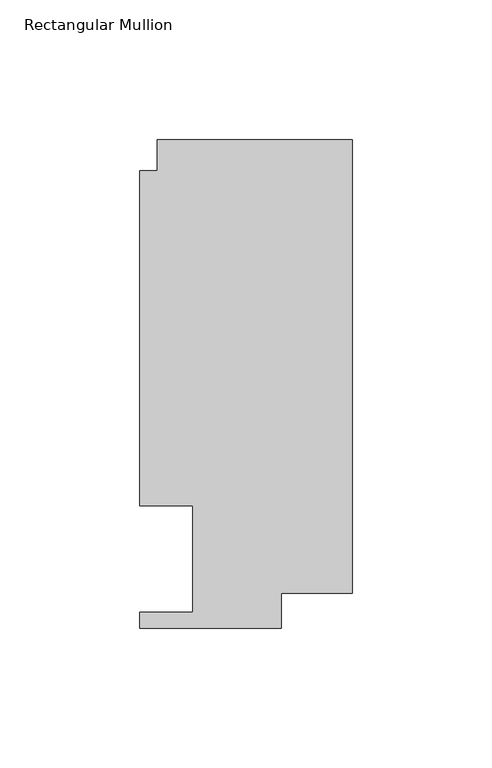
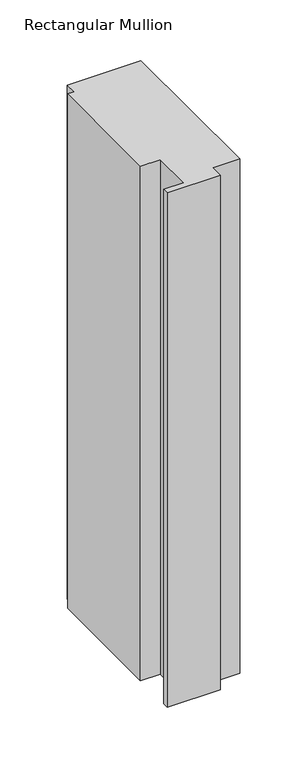
"""IFC4 building model written with IfcOpenShell, lengths in millimetres: member geometry, Rectangular Mullion."""

from ifc_helpers import new_model, si_unit, frame, origin, place, context, project, spatial, polyline, outline, extrude, source, transform, mapped, element, save


def rectangular_mullion_16afac9f(model_context):
    return source(origin(), model_context, "Body", "SweptSolid", [
        extrude(outline(polyline([(-69.8417664, 163.068), (0.0, 163.068), (0.0, 0.3801778), (-25.4044662, 0.3801778), (-25.4044662, -12.065), (-76.2171663, -12.065), (-76.2171663, -6.35), (-57.1417663, -6.35), (-57.1417663, 31.75), (-76.1917663, 31.75), (-76.1917663, 151.892), (-69.8417664, 151.892), (-69.8417664, 163.068)])), frame((0.0, 0.0, -517.1637125), z_axis=(0.0, 0.0, 1.0), x_axis=(1.0, 0.0, 0.0)), (0.0, 0.0, 1.0), 517.1637125),
    ])


if __name__ == "__main__":
    model = new_model("IFC4")
    model_context = context("Model", 3, world=origin())
    ifc_project = project(units=[si_unit("LENGTHUNIT", "METRE", prefix="MILLI")], contexts=[model_context])
    site = spatial("IfcSite", under=ifc_project)
    building = spatial("IfcBuilding", under=site)
    placement = place(None, origin())
    rectangular_mullion_shape = rectangular_mullion_16afac9f(model_context)
    element("IfcMember", 1, ObjectType="Rectangular Mullion", at=placement, inside=building, context=model_context, shape_type="MappedRepresentation", body=[
        mapped(rectangular_mullion_shape, transform((0.0, 0.0, 0.0), x_axis=(1.0, 0.0, 0.0), y_axis=(0.0, 1.0, 0.0), z_axis=(0.0, 0.0, 1.0))),
    ])
    save(model, "model.ifc")
